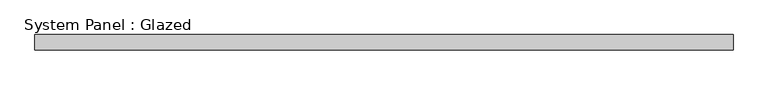
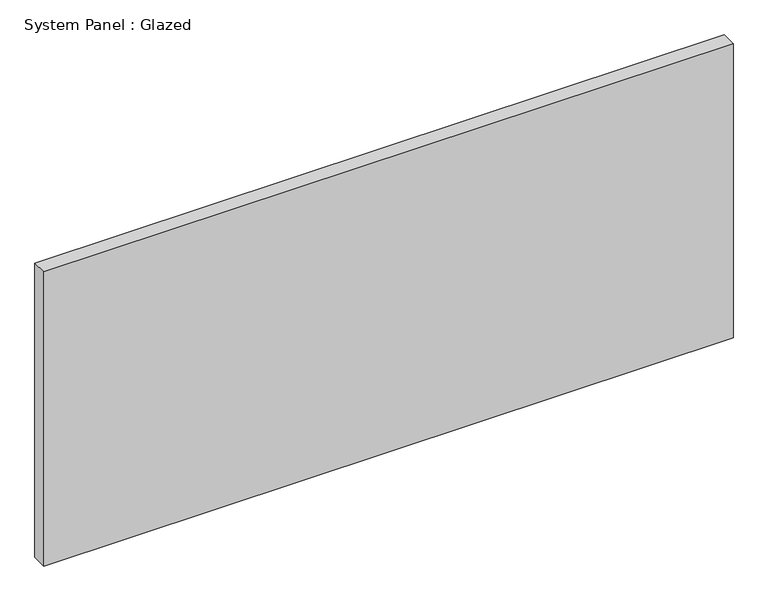
"""IFC4 building model written with IfcOpenShell, lengths in millimetres: plate geometry, System Panel : Glazed."""

from ifc_helpers import new_model, si_unit, origin, origin_with_axes, place, context, project, spatial, polyline, outline, extrude, source, transform, mapped, element, save


def system_panel_glazed_6b7a83a7(model_context):
    return source(origin(), model_context, "Body", "SweptSolid", [
        extrude(outline(polyline([(570.309375, -44.45), (-570.309375, -44.45), (-570.309375, -19.05), (570.309375, -19.05), (570.309375, -44.45)])), origin_with_axes(), (0.0, 0.0, 1.0), 514.35),
    ])


if __name__ == "__main__":
    model = new_model("IFC4")
    model_context = context("Model", 3, world=origin())
    ifc_project = project(units=[si_unit("LENGTHUNIT", "METRE", prefix="MILLI")], contexts=[model_context])
    site = spatial("IfcSite", under=ifc_project)
    building = spatial("IfcBuilding", under=site)
    placement = place(None, origin())
    system_panel_glazed_shape = system_panel_glazed_6b7a83a7(model_context)
    element("IfcPlate", 1, ObjectType="System Panel : Glazed", at=placement, inside=building, context=model_context, shape_type="MappedRepresentation", body=[
        mapped(system_panel_glazed_shape, transform((0.0, 0.0, 0.0), x_axis=(1.0, 0.0, 0.0), y_axis=(0.0, 1.0, 0.0), z_axis=(0.0, 0.0, 1.0))),
    ])
    save(model, "model.ifc")
